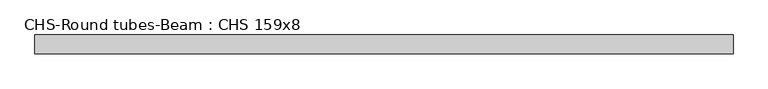
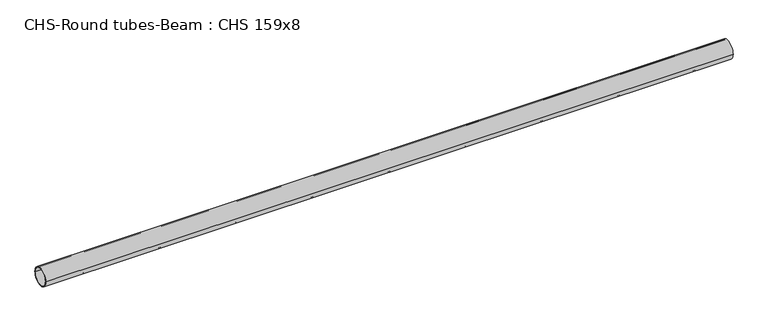
"""IFC4 building model written with IfcOpenShell, lengths in millimetres: beam geometry, CHS-Round tubes-Beam : CHS 159x8."""

from ifc_helpers import new_model, si_unit, point, frame, origin, origin_2d, place, context, project, spatial, circle_curve, trimmed, segment, composite_curve, outline, extrude, source, transform, mapped, element, save


def chs_round_tubes_beam_chs_159x8_ad3659a8(model_context):
    return source(origin(), model_context, "Body", "SweptSolid", [
        extrude(outline(composite_curve([segment(trimmed(circle_curve(origin_2d(), 79.5), [point((79.5, 0.0))], [point((-79.5, 0.0))], False, "CARTESIAN"), True, "CONTINUOUS"), segment(trimmed(circle_curve(origin_2d(), 79.5), [point((-79.5, 0.0))], [point((79.5, 0.0))], False, "CARTESIAN"), True, "CONTINUOUS")], self_intersect=False), holes=[composite_curve([segment(trimmed(circle_curve(origin_2d(), 71.5), [point((71.5, 0.0))], [point((-71.5, 0.0))], True, "CARTESIAN"), True, "CONTINUOUS"), segment(trimmed(circle_curve(origin_2d(), 71.5), [point((-71.5, 0.0))], [point((71.5, 0.0))], True, "CARTESIAN"), True, "CONTINUOUS")], self_intersect=False)]), frame((-2941.6316882, 0.0, 0.0), z_axis=(1.0, 0.0, 0.0), x_axis=(0.0, 1.0, 0.0)), (0.0, 0.0, 1.0), 5883.2633764),
    ])


if __name__ == "__main__":
    model = new_model("IFC4")
    model_context = context("Model", 3, world=origin())
    ifc_project = project(units=[si_unit("LENGTHUNIT", "METRE", prefix="MILLI")], contexts=[model_context])
    site = spatial("IfcSite", under=ifc_project)
    building = spatial("IfcBuilding", under=site)
    placement = place(None, origin())
    chs_round_tubes_beam_chs_159x8_shape = chs_round_tubes_beam_chs_159x8_ad3659a8(model_context)
    element("IfcBeam", 1, ObjectType="CHS-Round tubes-Beam : CHS 159x8", at=placement, inside=building, context=model_context, shape_type="MappedRepresentation", body=[
        mapped(chs_round_tubes_beam_chs_159x8_shape, transform((0.0, 0.0, 0.0), x_axis=(1.0, 0.0, 0.0), y_axis=(0.0, 1.0, 0.0), z_axis=(0.0, 0.0, 1.0))),
    ])
    save(model, "model.ifc")
